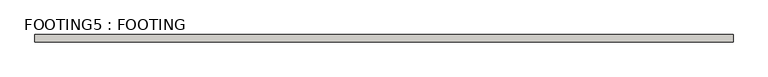
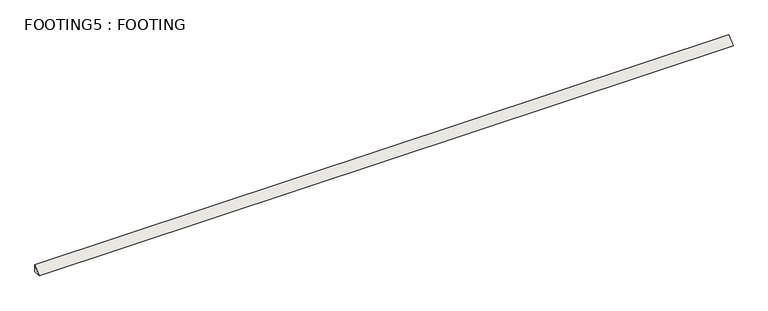
"""IFC4 building model written with IfcOpenShell, lengths in millimetres: wall geometry, FOOTING5 : FOOTING."""

import ifcopenshell
import ifcopenshell.guid

model = None  # the IFC model being written
_history = None  # IfcOwnerHistory: only IFC2X3 demands one
_inside = {}  # id of a spatial element -> (the spatial element, [elements in it])
_under = {}  # id of a project, library or spatial element -> (it, [spatial elements below it])
_declared = {}  # id of a project -> (the project, [libraries it declares])
_typed = {}  # id of a type object -> (the type object, [elements of that type])
_made_of = {}  # id of a material, layer set ... -> (it, [elements and type objects made of it])


def new_model(schema):
    """Start an empty IFC model of exactly this schema.

    Asked for "IFC4X3", IfcOpenShell would pick the latest addendum, in which some entities
    have other attributes; the version numbers below select the first issue.
    IFC2X3 requires an IfcOwnerHistory on every rooted entity: one is made here for all.
    """
    global model, _history
    if schema == "IFC4X3":
        model = ifcopenshell.file(schema_version=(4, 3, 0, 0))
    else:
        model = ifcopenshell.file(schema=schema)
    _inside.clear()
    _under.clear()
    _declared.clear()
    _typed.clear()
    _made_of.clear()
    _history = None
    if model.schema == "IFC2X3":
        org = make("IfcOrganization", Name="unknown")
        user = make(
            "IfcPersonAndOrganization",
            ThePerson=make("IfcPerson", FamilyName="unknown"),
            TheOrganization=org,
        )
        app = make(
            "IfcApplication",
            ApplicationDeveloper=org,
            Version="unknown",
            ApplicationFullName="unknown",
            ApplicationIdentifier="unknown",
        )
        _history = make(
            "IfcOwnerHistory",
            OwningUser=user,
            OwningApplication=app,
            ChangeAction="ADDED",
            CreationDate=0,
        )
    return model


def make(cls, **values):
    """One entity of the class cls with the attributes given. An attribute that is None is left unset."""
    return model.create_entity(
        cls, **{name: value for name, value in values.items() if value is not None}
    )


def rooted(cls, **values):
    """An entity with a GlobalId (a new one), such as an element, a storey or a relation."""
    return make(cls, GlobalId=ifcopenshell.guid.new(), OwnerHistory=_history, **values)


def si_unit(unit_type, name, prefix=None):
    """IfcSIUnit, for example si_unit("LENGTHUNIT", "METRE", prefix="MILLI")."""
    return make("IfcSIUnit", UnitType=unit_type, Prefix=prefix, Name=name)


def assignment(units):
    """IfcUnitAssignment: the units of a project."""
    return None if units is None else make("IfcUnitAssignment", Units=units)


def point(xyz):
    """IfcCartesianPoint."""
    return None if xyz is None else make("IfcCartesianPoint", Coordinates=xyz)


def direction(xyz):
    """IfcDirection."""
    return None if xyz is None else make("IfcDirection", DirectionRatios=xyz)


def frame(location, z_axis=None, x_axis=None):
    """IfcAxis2Placement3D, a coordinate frame: its origin and axes. An axis left out is left unset."""
    return make(
        "IfcAxis2Placement3D",
        Location=point(location),
        Axis=direction(z_axis),
        RefDirection=direction(x_axis),
    )


def origin():
    """The frame at (0, 0, 0) with its axes left unset."""
    return frame((0.0, 0.0, 0.0))


def place(relative_to, where):
    """IfcLocalPlacement: puts the frame where relative to a parent placement (None: the world)."""
    return make(
        "IfcLocalPlacement", PlacementRelTo=relative_to, RelativePlacement=where
    )


def context(
    kind, dimensions, precision=None, world=None, true_north=None, identifier=None
):
    """IfcGeometricRepresentationContext, for example the 3D "Model" context."""
    return make(
        "IfcGeometricRepresentationContext",
        ContextIdentifier=identifier,
        ContextType=kind,
        CoordinateSpaceDimension=dimensions,
        Precision=precision,
        WorldCoordinateSystem=world,
        TrueNorth=true_north,
    )


def project(units=None, contexts=None):
    """IfcProject with its units and contexts."""
    return rooted(
        "IfcProject",
        Name="project",
        RepresentationContexts=contexts,
        UnitsInContext=assignment(units),
    )


def spatial(cls, under=None, at=None, **own):
    """A site, building, storey or space (cls), placed at a placement, below another one or the project."""
    s = rooted(cls, ObjectPlacement=at, **own)
    if under is not None:
        _under.setdefault(under.id(), (under, []))[1].append(s)
    return s


def polyline(points):
    """IfcPolyline through the points."""
    return make("IfcPolyline", Points=[point(p) for p in points])


def outline(outer, holes=None, kind="AREA"):
    """IfcArbitraryClosedProfileDef: a profile drawn as a closed curve; with holes, ...WithVoids."""
    if holes is None:
        return make("IfcArbitraryClosedProfileDef", ProfileType=kind, OuterCurve=outer)
    return make(
        "IfcArbitraryProfileDefWithVoids",
        ProfileType=kind,
        OuterCurve=outer,
        InnerCurves=holes,
    )


def extrude(swept, where, along, depth):
    """IfcExtrudedAreaSolid: the profile swept, set in the frame where, extruded along a direction by depth."""
    return make(
        "IfcExtrudedAreaSolid",
        SweptArea=swept,
        Position=where,
        ExtrudedDirection=direction(along),
        Depth=depth,
    )


def shape(context_of_items, identifier, shape_type, items):
    """IfcShapeRepresentation: the items that make up one representation, for example the "Body"."""
    return make(
        "IfcShapeRepresentation",
        ContextOfItems=context_of_items,
        RepresentationIdentifier=identifier,
        RepresentationType=shape_type,
        Items=items,
    )


def source(mapping_origin, context_of_items, identifier, shape_type, items):
    """IfcRepresentationMap: a shape defined once, which mapped items show again and again."""
    return make(
        "IfcRepresentationMap",
        MappingOrigin=mapping_origin,
        MappedRepresentation=shape(context_of_items, identifier, shape_type, items),
    )


def transform(
    local_origin,
    x_axis=None,
    y_axis=None,
    z_axis=None,
    scale=None,
    scale2=None,
    scale3=None,
    uniform=True,
):
    """IfcCartesianTransformationOperator3D, or its non-uniform kind. x_axis, y_axis, z_axis: its Axis1, 2, 3."""
    if uniform:
        return make(
            "IfcCartesianTransformationOperator3D",
            Axis1=direction(x_axis),
            Axis2=direction(y_axis),
            LocalOrigin=point(local_origin),
            Scale=scale,
            Axis3=direction(z_axis),
        )
    return make(
        "IfcCartesianTransformationOperator3DnonUniform",
        Axis1=direction(x_axis),
        Axis2=direction(y_axis),
        LocalOrigin=point(local_origin),
        Scale=scale,
        Axis3=direction(z_axis),
        Scale2=scale2,
        Scale3=scale3,
    )


def mapped(mapping_source, mapping_target):
    """IfcMappedItem: shows the shape of a source again, moved by a transform."""
    return make(
        "IfcMappedItem", MappingSource=mapping_source, MappingTarget=mapping_target
    )


def made_of(thing, what):
    """Note that an element or type object is made of a material, layer set ...; save() writes the relation."""
    if what is not None:
        _made_of.setdefault(what.id(), (what, []))[1].append(thing)
    return thing


def element(
    cls,
    number,
    at=None,
    inside=None,
    cuts=None,
    type_object=None,
    material=None,
    context=None,
    identifier="Body",
    shape_type=None,
    held_by="IfcProductDefinitionShape",
    body=None,
    shapes=None,
    **own,
):
    """One element of the class cls, such as IfcWall. Its Tag is "e" and its number.

    at: its placement. inside: the storey or other place that contains it. cuts: it is an
    opening in that element (IfcRelVoidsElement). A single representation is given by context,
    identifier, shape_type and body (its items); several are given by shapes. held_by: the class
    of the entity that holds the representations. save() writes the other relations.
    """
    e = rooted(cls, Tag="e%d" % number, ObjectPlacement=at, **own)
    if body is not None:
        shapes = [shape(context, identifier, shape_type, body)]
    if shapes is not None:
        e.Representation = make(held_by, Representations=shapes)
    if inside is not None:
        _inside.setdefault(inside.id(), (inside, []))[1].append(e)
    if cuts is not None:
        rooted(
            "IfcRelVoidsElement", RelatingBuildingElement=cuts, RelatedOpeningElement=e
        )
    if type_object is not None:
        _typed.setdefault(type_object.id(), (type_object, []))[1].append(e)
    return made_of(e, material)


def aggregate(whole, parts):
    """IfcRelAggregates: a whole, such as a stair, and the parts it consists of."""
    return rooted("IfcRelAggregates", RelatingObject=whole, RelatedObjects=parts)


def save(model, path):
    """Write the relations noted so far, then the file.

    IfcRelAggregates (storeys below a building ...), IfcRelContainedInSpatialStructure (elements
    in a storey), IfcRelDefinesByType, IfcRelAssociatesMaterial and IfcRelDeclares: one each for
    every whole, place, type object, material and project.
    """
    for whole, parts in _under.values():
        aggregate(whole, parts)
    for where, things in _inside.values():
        rooted(
            "IfcRelContainedInSpatialStructure",
            RelatedElements=things,
            RelatingStructure=where,
        )
    for kind, things in _typed.values():
        rooted("IfcRelDefinesByType", RelatedObjects=things, RelatingType=kind)
    for what, things in _made_of.values():
        rooted("IfcRelAssociatesMaterial", RelatedObjects=things, RelatingMaterial=what)
    for by, libraries in _declared.values():
        rooted("IfcRelDeclares", RelatingContext=by, RelatedDefinitions=libraries)
    model.write(path)


def footing5_footing_53696695(model_context):
    return source(origin(), model_context, "Body", "SweptSolid", [
        extrude(outline(polyline([(5099.7992817, 634.1481757), (5125.1992817, 659.5481757), (5125.1992817, 634.1481757), (5099.7992817, 634.1481757)])), frame((-1698.5606997, 0.0, 0.0), z_axis=(1.0, 0.0, 0.0), x_axis=(0.0, 1.0, 0.0)), (0.0, 0.0, 1.0), 2451.1),
    ])


if __name__ == "__main__":
    model = new_model("IFC4")
    model_context = context("Model", 3, world=origin())
    ifc_project = project(units=[si_unit("LENGTHUNIT", "METRE", prefix="MILLI")], contexts=[model_context])
    site = spatial("IfcSite", under=ifc_project)
    building = spatial("IfcBuilding", under=site)
    placement = place(None, origin())
    footing5_footing_shape = footing5_footing_53696695(model_context)
    element("IfcWall", 1, ObjectType="FOOTING5 : FOOTING", at=placement, inside=building, context=model_context, shape_type="MappedRepresentation", body=[
        mapped(footing5_footing_shape, transform((0.0, 0.0, 0.0), x_axis=(1.0, 0.0, 0.0), y_axis=(0.0, 1.0, 0.0), z_axis=(0.0, 0.0, 1.0))),
    ])
    save(model, "model.ifc")
